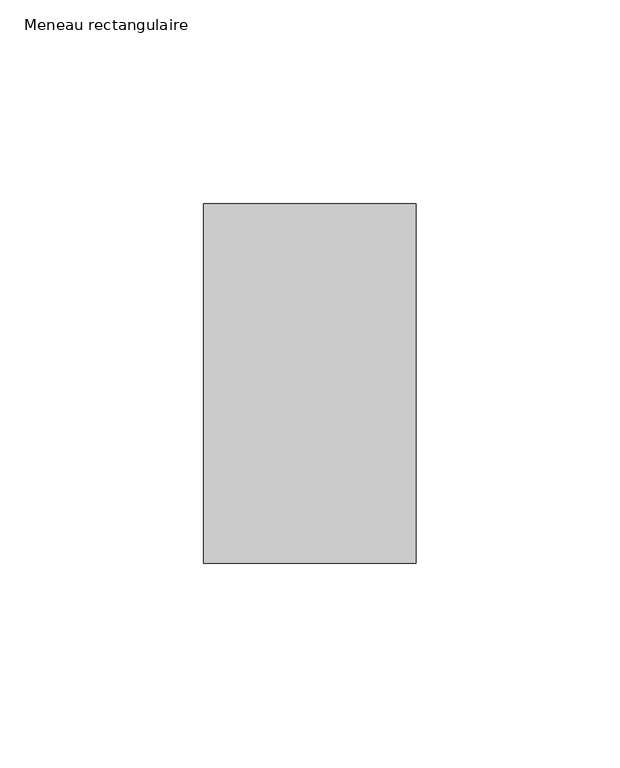
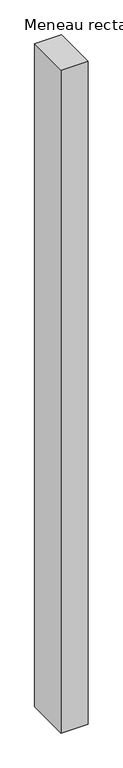
"""IFC4 building model written with IfcOpenShell, lengths in millimetres: member geometry, Meneau rectangulaire."""

import ifcopenshell
import ifcopenshell.guid

model = None  # the IFC model being written
_history = None  # IfcOwnerHistory: only IFC2X3 demands one
_inside = {}  # id of a spatial element -> (the spatial element, [elements in it])
_under = {}  # id of a project, library or spatial element -> (it, [spatial elements below it])
_declared = {}  # id of a project -> (the project, [libraries it declares])
_typed = {}  # id of a type object -> (the type object, [elements of that type])
_made_of = {}  # id of a material, layer set ... -> (it, [elements and type objects made of it])


def new_model(schema):
    """Start an empty IFC model of exactly this schema.

    Asked for "IFC4X3", IfcOpenShell would pick the latest addendum, in which some entities
    have other attributes; the version numbers below select the first issue.
    IFC2X3 requires an IfcOwnerHistory on every rooted entity: one is made here for all.
    """
    global model, _history
    if schema == "IFC4X3":
        model = ifcopenshell.file(schema_version=(4, 3, 0, 0))
    else:
        model = ifcopenshell.file(schema=schema)
    _inside.clear()
    _under.clear()
    _declared.clear()
    _typed.clear()
    _made_of.clear()
    _history = None
    if model.schema == "IFC2X3":
        org = make("IfcOrganization", Name="unknown")
        user = make(
            "IfcPersonAndOrganization",
            ThePerson=make("IfcPerson", FamilyName="unknown"),
            TheOrganization=org,
        )
        app = make(
            "IfcApplication",
            ApplicationDeveloper=org,
            Version="unknown",
            ApplicationFullName="unknown",
            ApplicationIdentifier="unknown",
        )
        _history = make(
            "IfcOwnerHistory",
            OwningUser=user,
            OwningApplication=app,
            ChangeAction="ADDED",
            CreationDate=0,
        )
    return model


def make(cls, **values):
    """One entity of the class cls with the attributes given. An attribute that is None is left unset."""
    return model.create_entity(
        cls, **{name: value for name, value in values.items() if value is not None}
    )


def rooted(cls, **values):
    """An entity with a GlobalId (a new one), such as an element, a storey or a relation."""
    return make(cls, GlobalId=ifcopenshell.guid.new(), OwnerHistory=_history, **values)


def si_unit(unit_type, name, prefix=None):
    """IfcSIUnit, for example si_unit("LENGTHUNIT", "METRE", prefix="MILLI")."""
    return make("IfcSIUnit", UnitType=unit_type, Prefix=prefix, Name=name)


def assignment(units):
    """IfcUnitAssignment: the units of a project."""
    return None if units is None else make("IfcUnitAssignment", Units=units)


def point(xyz):
    """IfcCartesianPoint."""
    return None if xyz is None else make("IfcCartesianPoint", Coordinates=xyz)


def direction(xyz):
    """IfcDirection."""
    return None if xyz is None else make("IfcDirection", DirectionRatios=xyz)


def frame(location, z_axis=None, x_axis=None):
    """IfcAxis2Placement3D, a coordinate frame: its origin and axes. An axis left out is left unset."""
    return make(
        "IfcAxis2Placement3D",
        Location=point(location),
        Axis=direction(z_axis),
        RefDirection=direction(x_axis),
    )


def origin():
    """The frame at (0, 0, 0) with its axes left unset."""
    return frame((0.0, 0.0, 0.0))


def place(relative_to, where):
    """IfcLocalPlacement: puts the frame where relative to a parent placement (None: the world)."""
    return make(
        "IfcLocalPlacement", PlacementRelTo=relative_to, RelativePlacement=where
    )


def context(
    kind, dimensions, precision=None, world=None, true_north=None, identifier=None
):
    """IfcGeometricRepresentationContext, for example the 3D "Model" context."""
    return make(
        "IfcGeometricRepresentationContext",
        ContextIdentifier=identifier,
        ContextType=kind,
        CoordinateSpaceDimension=dimensions,
        Precision=precision,
        WorldCoordinateSystem=world,
        TrueNorth=true_north,
    )


def project(units=None, contexts=None):
    """IfcProject with its units and contexts."""
    return rooted(
        "IfcProject",
        Name="project",
        RepresentationContexts=contexts,
        UnitsInContext=assignment(units),
    )


def spatial(cls, under=None, at=None, **own):
    """A site, building, storey or space (cls), placed at a placement, below another one or the project."""
    s = rooted(cls, ObjectPlacement=at, **own)
    if under is not None:
        _under.setdefault(under.id(), (under, []))[1].append(s)
    return s


def polyline(points):
    """IfcPolyline through the points."""
    return make("IfcPolyline", Points=[point(p) for p in points])


def outline(outer, holes=None, kind="AREA"):
    """IfcArbitraryClosedProfileDef: a profile drawn as a closed curve; with holes, ...WithVoids."""
    if holes is None:
        return make("IfcArbitraryClosedProfileDef", ProfileType=kind, OuterCurve=outer)
    return make(
        "IfcArbitraryProfileDefWithVoids",
        ProfileType=kind,
        OuterCurve=outer,
        InnerCurves=holes,
    )


def extrude(swept, where, along, depth):
    """IfcExtrudedAreaSolid: the profile swept, set in the frame where, extruded along a direction by depth."""
    return make(
        "IfcExtrudedAreaSolid",
        SweptArea=swept,
        Position=where,
        ExtrudedDirection=direction(along),
        Depth=depth,
    )


def shape(context_of_items, identifier, shape_type, items):
    """IfcShapeRepresentation: the items that make up one representation, for example the "Body"."""
    return make(
        "IfcShapeRepresentation",
        ContextOfItems=context_of_items,
        RepresentationIdentifier=identifier,
        RepresentationType=shape_type,
        Items=items,
    )


def source(mapping_origin, context_of_items, identifier, shape_type, items):
    """IfcRepresentationMap: a shape defined once, which mapped items show again and again."""
    return make(
        "IfcRepresentationMap",
        MappingOrigin=mapping_origin,
        MappedRepresentation=shape(context_of_items, identifier, shape_type, items),
    )


def transform(
    local_origin,
    x_axis=None,
    y_axis=None,
    z_axis=None,
    scale=None,
    scale2=None,
    scale3=None,
    uniform=True,
):
    """IfcCartesianTransformationOperator3D, or its non-uniform kind. x_axis, y_axis, z_axis: its Axis1, 2, 3."""
    if uniform:
        return make(
            "IfcCartesianTransformationOperator3D",
            Axis1=direction(x_axis),
            Axis2=direction(y_axis),
            LocalOrigin=point(local_origin),
            Scale=scale,
            Axis3=direction(z_axis),
        )
    return make(
        "IfcCartesianTransformationOperator3DnonUniform",
        Axis1=direction(x_axis),
        Axis2=direction(y_axis),
        LocalOrigin=point(local_origin),
        Scale=scale,
        Axis3=direction(z_axis),
        Scale2=scale2,
        Scale3=scale3,
    )


def mapped(mapping_source, mapping_target):
    """IfcMappedItem: shows the shape of a source again, moved by a transform."""
    return make(
        "IfcMappedItem", MappingSource=mapping_source, MappingTarget=mapping_target
    )


def made_of(thing, what):
    """Note that an element or type object is made of a material, layer set ...; save() writes the relation."""
    if what is not None:
        _made_of.setdefault(what.id(), (what, []))[1].append(thing)
    return thing


def element(
    cls,
    number,
    at=None,
    inside=None,
    cuts=None,
    type_object=None,
    material=None,
    context=None,
    identifier="Body",
    shape_type=None,
    held_by="IfcProductDefinitionShape",
    body=None,
    shapes=None,
    **own,
):
    """One element of the class cls, such as IfcWall. Its Tag is "e" and its number.

    at: its placement. inside: the storey or other place that contains it. cuts: it is an
    opening in that element (IfcRelVoidsElement). A single representation is given by context,
    identifier, shape_type and body (its items); several are given by shapes. held_by: the class
    of the entity that holds the representations. save() writes the other relations.
    """
    e = rooted(cls, Tag="e%d" % number, ObjectPlacement=at, **own)
    if body is not None:
        shapes = [shape(context, identifier, shape_type, body)]
    if shapes is not None:
        e.Representation = make(held_by, Representations=shapes)
    if inside is not None:
        _inside.setdefault(inside.id(), (inside, []))[1].append(e)
    if cuts is not None:
        rooted(
            "IfcRelVoidsElement", RelatingBuildingElement=cuts, RelatedOpeningElement=e
        )
    if type_object is not None:
        _typed.setdefault(type_object.id(), (type_object, []))[1].append(e)
    return made_of(e, material)


def aggregate(whole, parts):
    """IfcRelAggregates: a whole, such as a stair, and the parts it consists of."""
    return rooted("IfcRelAggregates", RelatingObject=whole, RelatedObjects=parts)


def save(model, path):
    """Write the relations noted so far, then the file.

    IfcRelAggregates (storeys below a building ...), IfcRelContainedInSpatialStructure (elements
    in a storey), IfcRelDefinesByType, IfcRelAssociatesMaterial and IfcRelDeclares: one each for
    every whole, place, type object, material and project.
    """
    for whole, parts in _under.values():
        aggregate(whole, parts)
    for where, things in _inside.values():
        rooted(
            "IfcRelContainedInSpatialStructure",
            RelatedElements=things,
            RelatingStructure=where,
        )
    for kind, things in _typed.values():
        rooted("IfcRelDefinesByType", RelatedObjects=things, RelatingType=kind)
    for what, things in _made_of.values():
        rooted("IfcRelAssociatesMaterial", RelatedObjects=things, RelatingMaterial=what)
    for by, libraries in _declared.values():
        rooted("IfcRelDeclares", RelatingContext=by, RelatedDefinitions=libraries)
    model.write(path)


def meneau_rectangulaire_a4ac782c(model_context):
    return source(origin(), model_context, "Body", "SweptSolid", [
        extrude(outline(polyline([(-52.0, 44.0), (0.0, 44.0), (0.0, -44.0), (-52.0, -44.0), (-52.0, 44.0)])), frame((0.0, 0.0, -1351.5000002), z_axis=(0.0, 0.0, 1.0), x_axis=(1.0, 0.0, 0.0)), (0.0, 0.0, 1.0), 1351.5000002),
    ])


if __name__ == "__main__":
    model = new_model("IFC4")
    model_context = context("Model", 3, world=origin())
    ifc_project = project(units=[si_unit("LENGTHUNIT", "METRE", prefix="MILLI")], contexts=[model_context])
    site = spatial("IfcSite", under=ifc_project)
    building = spatial("IfcBuilding", under=site)
    placement = place(None, origin())
    meneau_rectangulaire_shape = meneau_rectangulaire_a4ac782c(model_context)
    element("IfcMember", 1, ObjectType="Meneau rectangulaire", at=placement, inside=building, context=model_context, shape_type="MappedRepresentation", body=[
        mapped(meneau_rectangulaire_shape, transform((0.0, 0.0, 0.0), x_axis=(1.0, 0.0, 0.0), y_axis=(0.0, 1.0, 0.0), z_axis=(0.0, 0.0, 1.0))),
    ])
    save(model, "model.ifc")
